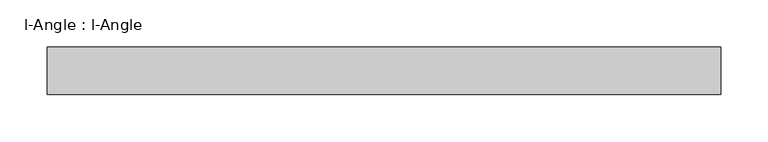
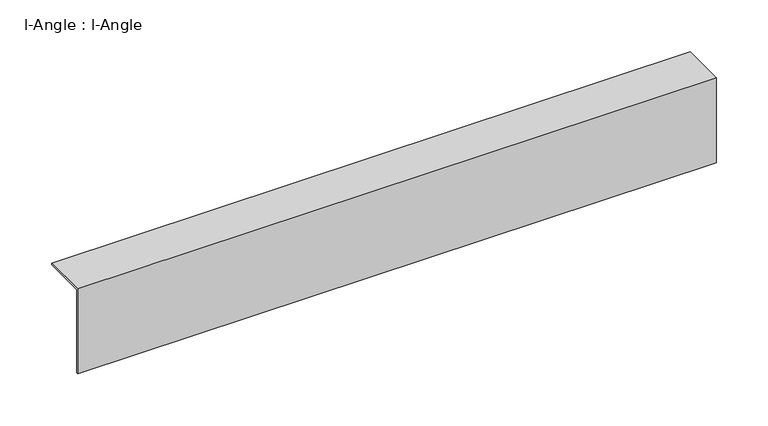
"""IFC4 building model written with IfcOpenShell, lengths in millimetres: proxy geometry, l-Angle : l-Angle."""

from ifc_helpers import new_model, si_unit, frame, origin, place, context, project, spatial, polyline, outline, extrude, source, transform, mapped, element, save


def l_angle_l_angle_776dfda5(model_context):
    return source(origin(), model_context, "Body", "SweptSolid", [
        extrude(outline(polyline([(0.0, -100.0), (0.0, 0.0), (50.0, 0.0), (50.0, -1.9174464), (2.0, -1.9174464), (2.0, -100.0), (0.0, -100.0)])), frame((0.0, 0.0, 0.0), z_axis=(1.0, 0.0, 0.0), x_axis=(0.0, 1.0, 0.0)), (0.0, 0.0, 1.0), 711.019414),
    ])


if __name__ == "__main__":
    model = new_model("IFC4")
    model_context = context("Model", 3, world=origin())
    ifc_project = project(units=[si_unit("LENGTHUNIT", "METRE", prefix="MILLI")], contexts=[model_context])
    site = spatial("IfcSite", under=ifc_project)
    building = spatial("IfcBuilding", under=site)
    placement = place(None, origin())
    l_angle_l_angle_shape = l_angle_l_angle_776dfda5(model_context)
    element("IfcBuildingElementProxy", 1, Name="l-Angle : l-Angle", ObjectType="l-Angle : l-Angle", at=placement, inside=building, context=model_context, shape_type="MappedRepresentation", body=[
        mapped(l_angle_l_angle_shape, transform((0.0, 0.0, 0.0), x_axis=(1.0, 0.0, 0.0), y_axis=(0.0, 1.0, 0.0), z_axis=(0.0, 0.0, 1.0))),
    ])
    save(model, "model.ifc")
